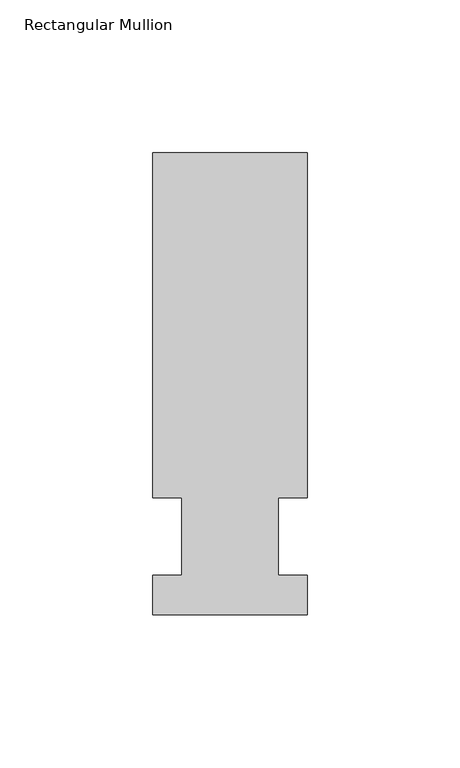
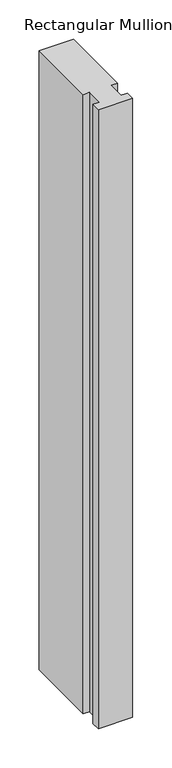
"""IFC4 building model written with IfcOpenShell, lengths in millimetres: member geometry, Rectangular Mullion."""

from ifc_helpers import new_model, si_unit, frame, origin, place, context, project, spatial, polyline, outline, extrude, source, transform, mapped, element, save


def rectangular_mullion_03da89c5(model_context):
    return source(origin(), model_context, "Body", "SweptSolid", [
        extrude(outline(polyline([(-25.4, -25.796875), (-25.4, -12.7), (-15.875, -12.7), (-15.875, 12.7), (-25.4, 12.7), (-25.4, 125.809375), (25.4, 125.809375), (25.4, 12.7), (15.875, 12.7), (15.875, -12.7), (25.4, -12.7), (25.4, -25.796875), (-25.4, -25.796875)])), frame((0.0, 0.0, -965.2), z_axis=(0.0, 0.0, 1.0), x_axis=(1.0, 0.0, 0.0)), (0.0, 0.0, 1.0), 965.2),
    ])


if __name__ == "__main__":
    model = new_model("IFC4")
    model_context = context("Model", 3, world=origin())
    ifc_project = project(units=[si_unit("LENGTHUNIT", "METRE", prefix="MILLI")], contexts=[model_context])
    site = spatial("IfcSite", under=ifc_project)
    building = spatial("IfcBuilding", under=site)
    placement = place(None, origin())
    rectangular_mullion_shape = rectangular_mullion_03da89c5(model_context)
    element("IfcMember", 1, ObjectType="Rectangular Mullion", at=placement, inside=building, context=model_context, shape_type="MappedRepresentation", body=[
        mapped(rectangular_mullion_shape, transform((0.0, 0.0, 0.0), x_axis=(1.0, 0.0, 0.0), y_axis=(0.0, 1.0, 0.0), z_axis=(0.0, 0.0, 1.0))),
    ])
    save(model, "model.ifc")
